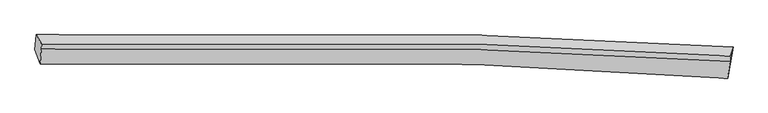
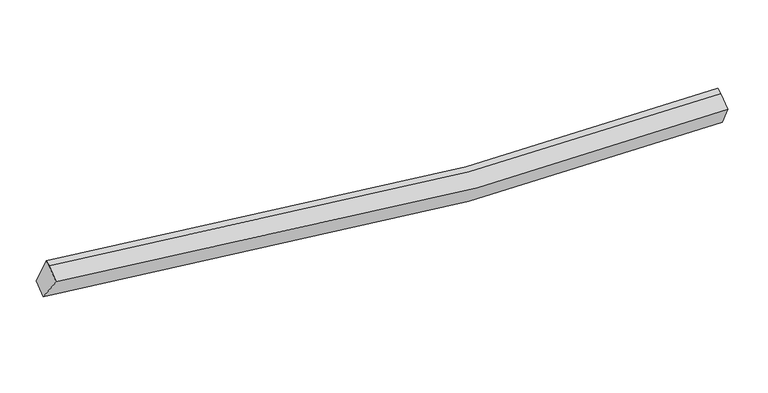
"""IFC4 building model written with IfcOpenShell, lengths in millimetres: proxy geometry."""

from ifc_helpers import new_model, si_unit, frame, origin, place, context, project, spatial, source, transform, mapped, element, save
from ifc_brep_helpers import plane_surface, spline_curve, spline_surface, advanced_brep


def generic_models_826c3d69(model_context):
    return source(origin(), model_context, "Body", "AdvancedBrep", [
        advanced_brep(
        [(-9331.4424689, -1972.5272863, 3421.8535413), (-9301.9107977, -1587.861355, 3623.487995), (8599.4701002, -1904.1885628, 2459.5067061), (8523.8305339, -2346.6445973, 2301.6449137), (-9198.1735988, -2339.8936615, 4012.7186784), (8459.297415, -2708.189615, 2913.529998), (-9166.0487838, -1953.5196568, 4227.1936513), (8521.62973, -2279.7343333, 3071.0263305), (-9160.6380487, -1821.5006977, 4273.4723547), (8527.6201868, -2133.5704858, 3122.2634664)],
        [
            (0, 1),
            (1, 2, spline_curve(3, [(-9301.9107977, -1587.861355, 3623.487995), (-5556.974499486, -1475.400508047, 2882.635533675), (-1789.221262294, -1476.531795325, 2455.434789155), (4193.094328923, -1657.589442888, 2276.230582558), (6392.468058345, -1761.900557781, 2315.437563942), (8599.4701002, -1904.1885628, 2459.5067061)], [4, 2, 4], [0.0, 37.343336883819084, 58.93562606880316])),
            (2, 3),
            (3, 0, spline_curve(3, [(8523.8305339, -2346.6445973, 2301.6449137), (6343.937055476, -2182.257750871, 2141.012081076), (4163.803088203, -2061.358488903, 2089.351361272), (-1787.475745033, -1850.065207111, 2245.781411785), (-5559.099446382, -1846.258698212, 2670.845006828), (-9331.4424689, -1972.5272863, 3421.8535413)], [4, 2, 4], [0.0, 21.592289184984075, 58.93562606880316])),
            (4, 0),
            (3, 5),
            (5, 4, spline_curve(3, [(8459.297415, -2708.189615, 2913.529998), (6303.718841474, -2546.479790714, 2751.086855389), (4147.84166702, -2427.537230337, 2697.33858484), (-1737.387463385, -2219.618620473, 2847.313996152), (-5467.333959317, -2215.795862295, 3267.458492593), (-9198.1735988, -2339.8936615, 4012.7186784)], [4, 2, 4], [0.0, 21.446968585039563, 58.538977039834975])),
            (6, 4),
            (5, 7),
            (7, 6, spline_curve(3, [(8521.62973, -2279.7343333, 3071.0263305), (6344.862326161, -2137.929893998, 2929.554706637), (4174.207728695, -2033.482790207, 2891.643971706), (-1733.856231474, -1850.362905604, 3070.834463649), (-5459.094472438, -1846.071783729, 3494.134306577), (-9166.0487838, -1953.5196568, 4227.1936513)], [4, 2, 4], [0.0, 21.3441285437478, 58.2582776583777])),
            (8, 6),
            (7, 9),
            (9, 8, spline_curve(3, [(8527.6201868, -2133.5704858, 3122.2634664), (6350.792060569, -1993.24763306, 2980.272478325), (4180.073050158, -1890.372183728, 2941.810806096), (-1728.176801663, -1711.787928143, 3119.411352885), (-5453.543869663, -1710.640114947, 3541.609320566), (-9160.6380487, -1821.5006977, 4273.4723547)], [4, 2, 4], [0.0, 21.36091817137857, 58.304104537010375])),
            (1, 8),
            (9, 2),
            (7, 2),
            (3, 7),
        ],
        [
            spline_surface(3, 3, [[(-9331.4424689, -1972.5272863, 3421.8535413), (-5559.099446204, -1846.258698321, 2670.845006829), (-1787.475745577, -1850.065206895, 2245.781411487), (4163.803088517, -2061.358489027, 2089.351361445), (6343.937055534, -2182.257750801, 2141.012080922), (8523.8305339, -2346.6445973, 2301.6449137)], [(-9321.598578508, -1844.305309189, 3489.065025867), (-5558.391130762, -1722.639301362, 2741.441849114), (-1788.057584645, -1725.554069621, 2315.665870671), (4173.566835407, -1926.76880704, 2151.644435164), (6360.114056396, -2042.138686562, 2199.153908714), (8549.04372268, -2199.159252484, 2354.26551118)], [(-9311.754688092, -1716.083332111, 3556.276510433), (-5557.682815295, -1599.019904437, 2812.038691397), (-1788.639423701, -1601.042932326, 2385.550329869), (4183.330582308, -1792.179125033, 2213.937508898), (6376.291057219, -1902.019622272, 2257.295736466), (8574.25691142, -2051.673907616, 2406.88610862)], [(-9301.9107977, -1587.861355, 3623.487995), (-5556.974499853, -1475.400507479, 2882.635533683), (-1789.221262769, -1476.531795051, 2455.434789052), (4193.094329198, -1657.589443046, 2276.230582618), (6392.468058081, -1761.900558033, 2315.437564258), (8599.4701002, -1904.1885628, 2459.5067061)]], [4, 4], [4, 2, 4], [0.0, 1.4213248707410737], [0.0, 37.343336883819084, 58.93562606880316]),
            spline_surface(3, 3, [[(-9198.1735988, -2339.8936615, 4012.7186784), (-5467.333959606, -2215.795862781, 3267.45849257), (-1737.387463143, -2219.618620438, 2847.313995694), (4147.84166688, -2427.537230357, 2697.338585105), (6303.718841669, -2546.4797905, 2751.086855165), (8459.297415, -2708.189615, 2913.529998)], [(-9242.596555498, -2217.43820312, 3815.763632694), (-5497.922455136, -2092.616807981, 3068.58733065), (-1754.083557284, -2096.434149269, 2646.803134269), (4153.162140763, -2305.477649926, 2494.676177195), (6317.124912931, -2425.07244393, 2547.728597069), (8480.808454607, -2587.674609096, 2709.568303218)], [(-9287.019512202, -2094.98274468, 3618.808587006), (-5528.510950674, -1969.43775312, 2869.716168748), (-1770.779651436, -1973.249678064, 2446.292272913), (4158.482614635, -2183.418069459, 2292.013769354), (6330.530984272, -2303.665097371, 2344.370339018), (8502.319494293, -2467.159603204, 2505.606608482)], [(-9331.4424689, -1972.5272863, 3421.8535413), (-5559.099446204, -1846.258698321, 2670.845006829), (-1787.475745577, -1850.065206895, 2245.781411487), (4163.803088517, -2061.358489027, 2089.351361445), (6343.937055534, -2182.257750801, 2141.012080922), (8523.8305339, -2346.6445973, 2301.6449137)]], [4, 4], [4, 2, 4], [0.0, 2.321061596571582], [0.0, 37.09200845479541, 58.538977039834975]),
            spline_surface(3, 3, [[(-9166.0487838, -1953.5196568, 4227.1936513), (-5459.0944726, -1846.071783804, 3494.134305963), (-1733.856231834, -1850.362905438, 3070.834464097), (4174.207728903, -2033.482790303, 2891.643971448), (6344.862326037, -2137.92989414, 2929.554706376), (8521.62973, -2279.7343333, 3071.0263305)], [(-9176.757055461, -2082.310991693, 4155.701993655), (-5461.840968263, -1969.313143456, 3418.575701487), (-1735.033308962, -1973.448143753, 2996.327641322), (4165.419041537, -2164.834270303, 2826.87550936), (6331.147831245, -2274.113192923, 2870.065422633), (8500.852291663, -2422.552760529, 3018.527552994)], [(-9187.465327139, -2211.102326607, 4084.210336045), (-5464.587463943, -2092.554503129, 3343.017097046), (-1736.210386014, -2096.533382123, 2921.820818469), (4156.630354247, -2296.185750357, 2762.107047193), (6317.433336462, -2410.296491718, 2810.576138908), (8480.074853337, -2565.371187771, 2966.028775506)], [(-9198.1735988, -2339.8936615, 4012.7186784), (-5467.333959606, -2215.795862781, 3267.45849257), (-1737.387463143, -2219.618620438, 2847.313995694), (4147.84166688, -2427.537230357, 2697.338585105), (6303.718841669, -2546.4797905, 2751.086855165), (8459.297415, -2708.189615, 2913.529998)]], [4, 4], [4, 2, 4], [0.0, 1.4243673737420095], [0.0, 36.9141491146299, 58.2582776583777]),
            spline_surface(3, 3, [[(-9160.6380487, -1821.5006977, 4273.4723547), (-5453.543869213, -1710.640115459, 3541.60932056), (-1728.176801398, -1711.787928592, 3119.411352512), (4180.073050005, -1890.372183468, 2941.810806311), (6350.792060713, -1993.247633055, 2980.272478249), (8527.6201868, -2133.5704858, 3122.2634664)], [(-9162.441627062, -1865.507017393, 4258.046120231), (-5455.394070338, -1755.784004901, 3525.784315692), (-1730.069944865, -1757.97958755, 3103.219056347), (4178.117942983, -1938.07571909, 2925.088527997), (6348.81548252, -2041.475053435, 2963.366554286), (8525.623367899, -2182.291768318, 3105.184421095)], [(-9164.245205438, -1909.513337107, 4242.619885769), (-5457.244271476, -1800.927894362, 3509.959310831), (-1731.963088367, -1804.171246479, 3087.026760262), (4176.162835925, -1985.779254682, 2908.366249762), (6346.83890423, -2089.702473761, 2946.460630339), (8523.626548901, -2231.013050782, 3088.105375805)], [(-9166.0487838, -1953.5196568, 4227.1936513), (-5459.0944726, -1846.071783804, 3494.134305963), (-1733.856231834, -1850.362905438, 3070.834464097), (4174.207728903, -2033.482790303, 2891.643971448), (6344.862326037, -2137.92989414, 2929.554706376), (8521.62973, -2279.7343333, 3071.0263305)]], [4, 4], [4, 2, 4], [0.0, 0.4856748045088268], [0.0, 36.9431863656318, 58.304104537010375]),
            spline_surface(3, 3, [[(-9301.9107977, -1587.861355, 3623.487995), (-5556.974499853, -1475.400507479, 2882.635533683), (-1789.221262769, -1476.531795051, 2455.434789052), (4193.094329198, -1657.589443046, 2276.230582618), (6392.468058081, -1761.900558033, 2315.437564258), (8599.4701002, -1904.1885628, 2459.5067061)], [(-9254.819881371, -1665.741135904, 3840.149448253), (-5522.497622978, -1553.813710142, 3102.293462662), (-1768.873108965, -1554.950506221, 2676.760310234), (4188.753902814, -1735.183689844, 2498.090657211), (6378.576058942, -1839.01624968, 2537.049202268), (8575.520129051, -1980.649203773, 2680.425626213)], [(-9207.728965029, -1743.620916796, 4056.810901447), (-5488.020746089, -1632.226912795, 3321.951391581), (-1748.524955202, -1633.369217421, 2898.085831331), (4184.413476389, -1812.777936671, 2719.950731718), (6364.684059852, -1916.131941408, 2758.660840239), (8551.570157949, -2057.109844827, 2901.344546287)], [(-9160.6380487, -1821.5006977, 4273.4723547), (-5453.543869213, -1710.640115459, 3541.60932056), (-1728.176801398, -1711.787928592, 3119.411352512), (4180.073050005, -1890.372183468, 2941.810806311), (6350.792060713, -1993.247633055, 2980.272478249), (8527.6201868, -2133.5704858, 3122.2634664)]], [4, 4], [4, 2, 4], [0.0, 2.3140882175028072], [0.0, 37.165833383488, 58.6554882773154]),
            plane_surface(frame((-9231.6427396, -1935.0605314, 3911.7452441), z_axis=(-0.9789542496430074, -0.030608170912290768, 0.201771447383669), x_axis=(-0.06784025683469498, -0.883655903616897, -0.4631953621913845))),
            plane_surface(frame((8549.573339, -2105.8311273, 2884.265501), z_axis=(0.9940421033586069, -0.07002150041783636, 0.08353015161983107), x_axis=(0.10783635315536066, 0.5202632805118653, -0.8471702543699139))),
            plane_surface(frame((8501.585893, -2444.8561819, 2762.0670807), z_axis=(0.9886123679730485, -0.1496482822498135, 0.015842269736440352), x_axis=(-0.13529281599148668, -0.9299658062878664, -0.34184711945027746))),
            plane_surface(frame((8548.3101214, -2176.8558311, 2610.7259834), z_axis=(0.984453045016994, -0.1747220875953184, 0.018010948423170674), x_axis=(0.0028497170327216165, -0.08663894434010402, -0.996235701245677))),
        ],
        [
            (0, [[1, 2, 3, 4]]),
            (1, [[5, -4, 6, 7]]),
            (2, [[8, -7, 9, 10]]),
            (3, [[11, -10, 12, 13]]),
            (4, [[14, -13, 15, -2]]),
            (5, [[-1, -5, -8, -11, -14]]),
            (6, [[16, -15, -12]]),
            (7, [[-9, -6, 17]]),
            (8, [[-17, -3, -16]]),
        ],
    ),
    ])


if __name__ == "__main__":
    model = new_model("IFC4")
    model_context = context("Model", 3, world=origin())
    ifc_project = project(units=[si_unit("LENGTHUNIT", "METRE", prefix="MILLI")], contexts=[model_context])
    site = spatial("IfcSite", under=ifc_project)
    building = spatial("IfcBuilding", under=site)
    placement = place(None, origin())
    generic_models_shape = generic_models_826c3d69(model_context)
    element("IfcBuildingElementProxy", 1, Name="Generic Models", at=placement, inside=building, context=model_context, shape_type="MappedRepresentation", body=[
        mapped(generic_models_shape, transform((0.0, 0.0, 0.0), x_axis=(1.0, 0.0, 0.0), y_axis=(0.0, 1.0, 0.0), z_axis=(0.0, 0.0, 1.0))),
    ])
    save(model, "model.ifc")
